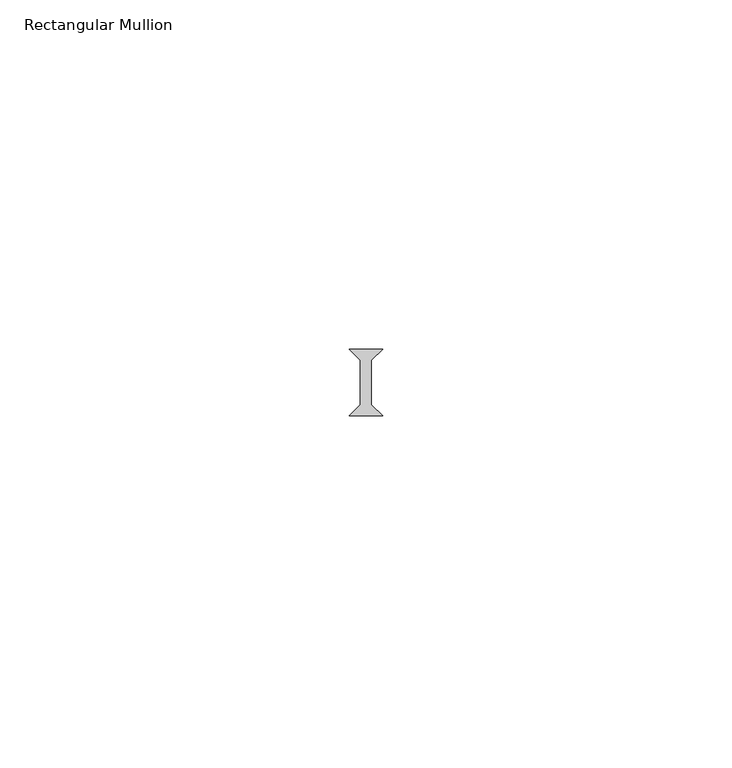
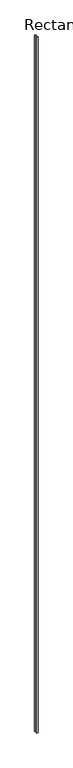
"""IFC4 building model written with IfcOpenShell, lengths in millimetres: member geometry, Rectangular Mullion."""

from ifc_helpers import new_model, si_unit, frame, origin, place, context, project, spatial, polyline, outline, extrude, source, transform, mapped, element, save


def rectangular_mullion_db420984(model_context):
    return source(origin(), model_context, "Body", "SweptSolid", [
        extrude(outline(polyline([(-2.38125, -4.7625), (-0.79375, -3.175), (-0.79375, 3.175), (-2.38125, 4.7625), (2.38125, 4.7625), (0.79375, 3.175), (0.79375, -3.175), (2.38125, -4.7625), (-2.38125, -4.7625)])), frame((0.0, 0.0, -2359.025), z_axis=(0.0, 0.0, 1.0), x_axis=(1.0, 0.0, 0.0)), (0.0, 0.0, 1.0), 2359.025),
    ])


if __name__ == "__main__":
    model = new_model("IFC4")
    model_context = context("Model", 3, world=origin())
    ifc_project = project(units=[si_unit("LENGTHUNIT", "METRE", prefix="MILLI")], contexts=[model_context])
    site = spatial("IfcSite", under=ifc_project)
    building = spatial("IfcBuilding", under=site)
    placement = place(None, origin())
    rectangular_mullion_shape = rectangular_mullion_db420984(model_context)
    element("IfcMember", 1, ObjectType="Rectangular Mullion", at=placement, inside=building, context=model_context, shape_type="MappedRepresentation", body=[
        mapped(rectangular_mullion_shape, transform((0.0, 0.0, 0.0), x_axis=(1.0, 0.0, 0.0), y_axis=(0.0, 1.0, 0.0), z_axis=(0.0, 0.0, 1.0))),
    ])
    save(model, "model.ifc")
